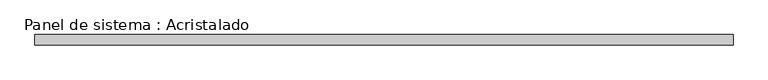
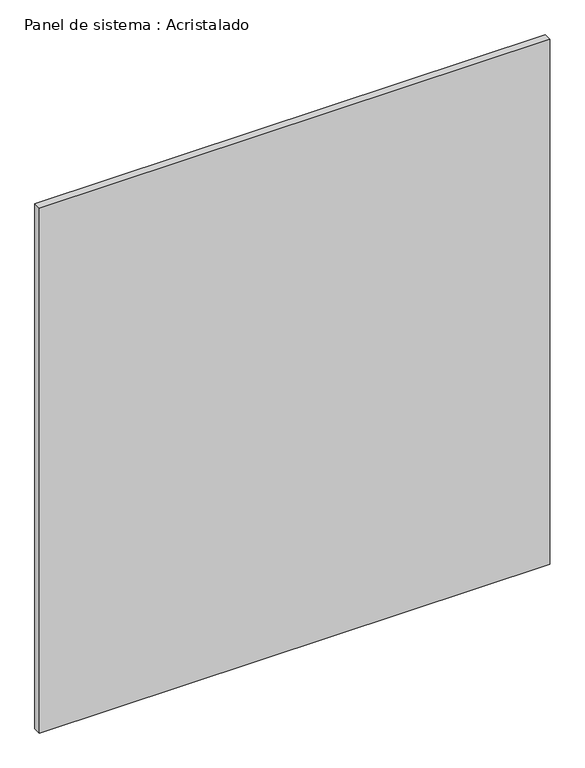
"""IFC4 building model written with IfcOpenShell, lengths in millimetres: plate geometry, Panel de sistema : Acristalado."""

from ifc_helpers import new_model, si_unit, origin, origin_with_axes, place, context, project, spatial, polyline, outline, extrude, source, transform, mapped, element, save


def panel_de_sistema_acristalado_5439b4e9(model_context):
    return source(origin(), model_context, "Body", "SweptSolid", [
        extrude(outline(polyline([(662.75, -10.0), (-662.75, -10.0), (-662.75, 10.0), (662.75, 10.0), (662.75, -10.0)])), origin_with_axes(), (0.0, 0.0, 1.0), 1441.0),
    ])


if __name__ == "__main__":
    model = new_model("IFC4")
    model_context = context("Model", 3, world=origin())
    ifc_project = project(units=[si_unit("LENGTHUNIT", "METRE", prefix="MILLI")], contexts=[model_context])
    site = spatial("IfcSite", under=ifc_project)
    building = spatial("IfcBuilding", under=site)
    placement = place(None, origin())
    panel_de_sistema_acristalado_shape = panel_de_sistema_acristalado_5439b4e9(model_context)
    element("IfcPlate", 1, ObjectType="Panel de sistema : Acristalado", at=placement, inside=building, context=model_context, shape_type="MappedRepresentation", body=[
        mapped(panel_de_sistema_acristalado_shape, transform((0.0, 0.0, 0.0), x_axis=(1.0, 0.0, 0.0), y_axis=(0.0, 1.0, 0.0), z_axis=(0.0, 0.0, 1.0))),
    ])
    save(model, "model.ifc")
